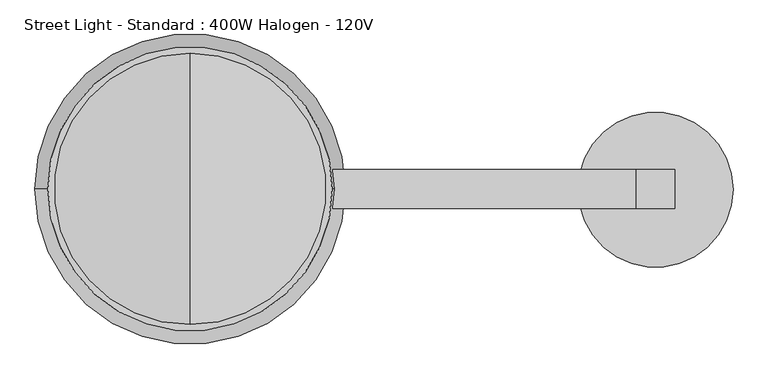
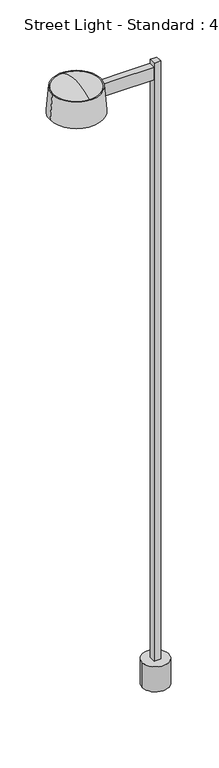
"""IFC4 building model written with IfcOpenShell, lengths in millimetres: light fixture geometry, Street Light - Standard : 400W Halogen - 120V."""

from ifc_helpers import new_model, si_unit, point, frame, origin, origin_with_axes, origin_2d, place, context, project, spatial, polyline, circle_curve, ellipse_curve, trimmed, segment, composite_curve, outline, extrude, source, transform, mapped, element, save
from ifc_brep_helpers import plane_surface, revolved_surface, advanced_brep


def street_light_standard_400w_halogen_120v_63d2c179(model_context):
    return source(origin(), model_context, "Body", "SolidModel", [
        advanced_brep(
        [(-914.4, -266.7, 7620.0), (-914.4, 266.7, 7620.0), (-914.4, 0.0, 7691.4620496), (-914.4, -228.6332063, 7620.0), (-914.4, 228.6332063, 7620.0), (-914.4, 0.0, 7678.7620496)],
        [
            (0, 1, circle_curve(frame((-914.4, 0.0, 7620.0), z_axis=(0.0, 0.0, 1.0), x_axis=(0.0, 1.0, 0.0)), 266.7)),
            (1, 2, circle_curve(frame((-914.4, -28.9924067, 7049.8609147), z_axis=(1.0, 0.0, 0.0), x_axis=(0.0, 0.0, 1.0)), 642.2558493)),
            (2, 0, circle_curve(frame((-914.4, 28.9924067, 7049.8609147), z_axis=(1.0, 0.0, 0.0), x_axis=(0.0, 0.0, 1.0)), 642.2558493)),
            (1, 0, circle_curve(frame((-914.4, 0.0, 7620.0), z_axis=(0.0, 0.0, 1.0), x_axis=(0.0, 1.0, 0.0)), 266.7)),
            (3, 4, circle_curve(frame((-914.4, 0.0, 7620.0), z_axis=(0.0, 0.0, 1.0), x_axis=(0.0, 1.0, 0.0)), 228.6332063)),
            (4, 1),
            (0, 3),
            (4, 3, circle_curve(frame((-914.4, 0.0, 7620.0), z_axis=(0.0, 0.0, 1.0), x_axis=(0.0, 1.0, 0.0)), 228.6332063)),
            (5, 4),
            (3, 5),
        ],
        [
            revolved_surface(trimmed(ellipse_curve(frame((-914.4, -28.9924067, 7049.8609147), z_axis=(-1.0, 0.0, 0.0), x_axis=(0.0, 0.0, 1.0)), 642.2558493, 642.2558493), [point((-914.4, 0.0, 7691.4620496))], [point((-914.4, 266.7, 7620.0))], True, "CARTESIAN"), (-914.4, 0.0, 7543.8), (0.0, 0.0, -1.0)),
            plane_surface(frame((-914.4, 0.0, 7620.0), z_axis=(0.0, 0.0, -1.0), x_axis=(0.0, 1.0, 0.0))),
            revolved_surface(polyline([(-914.4, 228.6332063, 7620.0), (-914.4, 0.0, 7678.7620496)]), (-914.4, 0.0, 7543.8), (0.0, 0.0, -1.0)),
        ],
        [
            (0, [[1, 2, 3]]),
            (0, [[4, -3, -2]]),
            (1, [[5, 6, -1, 7]]),
            (1, [[8, -7, -4, -6]]),
            (2, [[9, -5, 10]]),
            (2, [[-10, -8, -9]]),
        ],
    ),
        advanced_brep(
        [(-1193.8, 0.0, 7620.0), (-635.0, 0.0, 7620.0), (-1219.2, 0.0, 7315.2), (-609.6, 0.0, 7315.2)],
        [
            (0, 1, circle_curve(frame((-914.4, 0.0, 7620.0), z_axis=(0.0, 0.0, 1.0), x_axis=(-1.0, 0.0, 0.0)), 279.4)),
            (1, 0, circle_curve(frame((-914.4, 0.0, 7620.0), z_axis=(0.0, 0.0, 1.0), x_axis=(1.0, 0.0, 0.0)), 279.4)),
            (2, 3, circle_curve(frame((-914.4, 0.0, 7315.2), z_axis=(0.0, 0.0, -1.0), x_axis=(1.0, 0.0, 0.0)), 304.8)),
            (3, 2, circle_curve(frame((-914.4, 0.0, 7315.2), z_axis=(0.0, 0.0, -1.0), x_axis=(-1.0, 0.0, 0.0)), 304.8)),
            (3, 1),
            (0, 2),
        ],
        [
            plane_surface(frame((-914.4, 0.0, 7620.0), z_axis=(0.0, 0.0, 1.0), x_axis=(0.0, -1.0, 0.0))),
            plane_surface(frame((-914.4, 0.0, 7315.2), z_axis=(0.0, 0.0, -1.0), x_axis=(0.0, -1.0, 0.0))),
            revolved_surface(polyline([(-1193.8, 0.0, 7620.0), (-1219.2, 0.0, 7315.2)]), (-914.4, 0.0, 10972.8), (0.0, 0.0, -1.0)),
            revolved_surface(polyline([(-635.0, 0.0, 7620.0), (-609.6, 0.0, 7315.2)]), (-914.4, 0.0, 10972.8), (0.0, 0.0, -1.0)),
        ],
        [
            (0, [[1, 2]]),
            (1, [[3, 4]]),
            (2, [[-4, 5, -1, 6]]),
            (3, [[-3, -6, -2, -5]]),
        ],
    ),
        extrude(outline(polyline([(-914.4, 38.1), (-38.1, 38.1), (-38.1, -38.1), (-914.4, -38.1), (-914.4, 38.1)])), frame((0.0, 0.0, 7416.8), z_axis=(0.0, 0.0, 1.0), x_axis=(1.0, 0.0, 0.0)), (0.0, 0.0, 1.0), 152.4),
        extrude(outline(polyline([(38.1, 38.1), (38.1, -38.1), (-38.1, -38.1), (-38.1, 38.1), (38.1, 38.1)])), frame((0.0, 0.0, 304.8), z_axis=(0.0, 0.0, 1.0), x_axis=(1.0, 0.0, 0.0)), (0.0, 0.0, 1.0), 7315.2),
        extrude(outline(composite_curve([segment(trimmed(circle_curve(origin_2d(), 152.4), [point((-152.4, 0.0))], [point((152.4, 0.0))], False, "CARTESIAN"), True, "CONTINUOUS"), segment(trimmed(circle_curve(origin_2d(), 152.4), [point((152.4, 0.0))], [point((-152.4, 0.0))], False, "CARTESIAN"), True, "CONTINUOUS")], self_intersect=False)), origin_with_axes(), (0.0, 0.0, 1.0), 304.8),
        advanced_brep(
        [(-914.4, -228.6332063, 7315.2), (-914.4, 228.6332063, 7315.2), (-914.4, 0.0, 7256.4379504), (-914.4, -266.7, 7315.2), (-914.4, 266.7, 7315.2), (-914.4, 0.0, 7243.7379504)],
        [
            (0, 1, circle_curve(frame((-914.4, 0.0, 7315.2), z_axis=(0.0, 0.0, 1.0), x_axis=(0.0, 1.0, 0.0)), 228.6332063)),
            (1, 2),
            (2, 0),
            (1, 0, circle_curve(frame((-914.4, 0.0, 7315.2), z_axis=(0.0, 0.0, 1.0), x_axis=(0.0, 1.0, 0.0)), 228.6332063)),
            (3, 4, circle_curve(frame((-914.4, 0.0, 7315.2), z_axis=(0.0, 0.0, 1.0), x_axis=(0.0, 1.0, 0.0)), 266.7)),
            (4, 1),
            (0, 3),
            (4, 3, circle_curve(frame((-914.4, 0.0, 7315.2), z_axis=(0.0, 0.0, 1.0), x_axis=(0.0, 1.0, 0.0)), 266.7)),
            (5, 4, circle_curve(frame((-914.4, -28.9924067, 7885.3390853), z_axis=(1.0, 0.0, 0.0), x_axis=(0.0, 0.0, -1.0)), 642.2558493)),
            (3, 5, circle_curve(frame((-914.4, 28.9924067, 7885.3390853), z_axis=(1.0, 0.0, 0.0), x_axis=(0.0, 0.0, -1.0)), 642.2558493)),
        ],
        [
            revolved_surface(polyline([(-914.4, 0.0, 7256.4379504), (-914.4, 228.6332063, 7315.2)]), (-914.4, 0.0, 7391.4), (0.0, 0.0, -1.0)),
            plane_surface(frame((-914.4, 0.0, 7315.2), z_axis=(0.0, 0.0, 1.0), x_axis=(0.0, 1.0, 0.0))),
            revolved_surface(trimmed(ellipse_curve(frame((-914.4, -28.9924067, 7885.3390853), z_axis=(-1.0, 0.0, 0.0), x_axis=(0.0, 0.0, -1.0)), 642.2558493, 642.2558493), [point((-914.4, 266.7, 7315.2))], [point((-914.4, 0.0, 7243.7379504))], True, "CARTESIAN"), (-914.4, 0.0, 7391.4), (0.0, 0.0, -1.0)),
        ],
        [
            (0, [[1, 2, 3]]),
            (0, [[4, -3, -2]]),
            (1, [[5, 6, -1, 7]]),
            (1, [[8, -7, -4, -6]]),
            (2, [[9, -5, 10]]),
            (2, [[-10, -8, -9]]),
        ],
    ),
    ])


if __name__ == "__main__":
    model = new_model("IFC4")
    model_context = context("Model", 3, world=origin())
    ifc_project = project(units=[si_unit("LENGTHUNIT", "METRE", prefix="MILLI")], contexts=[model_context])
    site = spatial("IfcSite", under=ifc_project)
    building = spatial("IfcBuilding", under=site)
    placement = place(None, origin())
    street_light_standard_400w_halogen_120v_shape = street_light_standard_400w_halogen_120v_63d2c179(model_context)
    element("IfcLightFixture", 1, ObjectType="Street Light - Standard : 400W Halogen - 120V", at=placement, inside=building, context=model_context, shape_type="MappedRepresentation", body=[
        mapped(street_light_standard_400w_halogen_120v_shape, transform((0.0, 0.0, 0.0), x_axis=(1.0, 0.0, 0.0), y_axis=(0.0, 1.0, 0.0), z_axis=(0.0, 0.0, 1.0))),
    ])
    save(model, "model.ifc")
